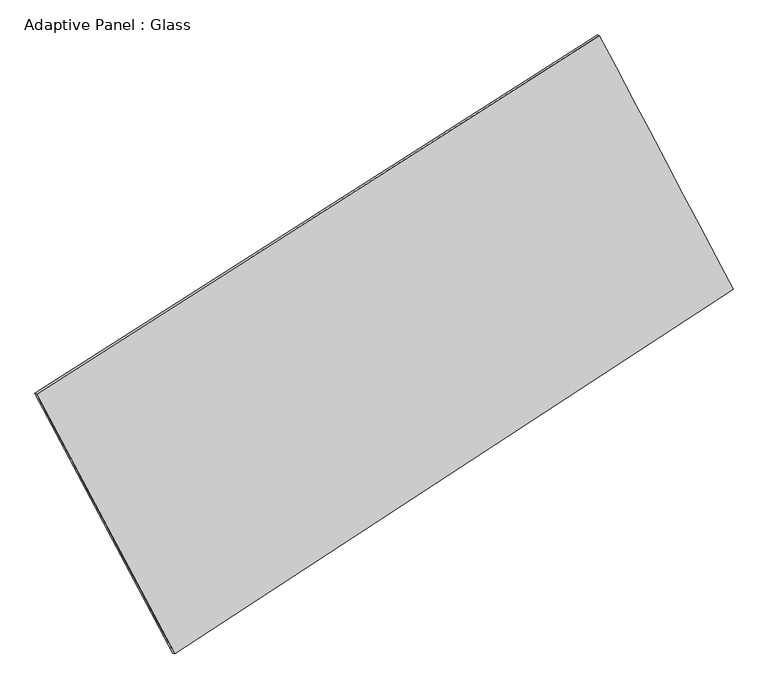
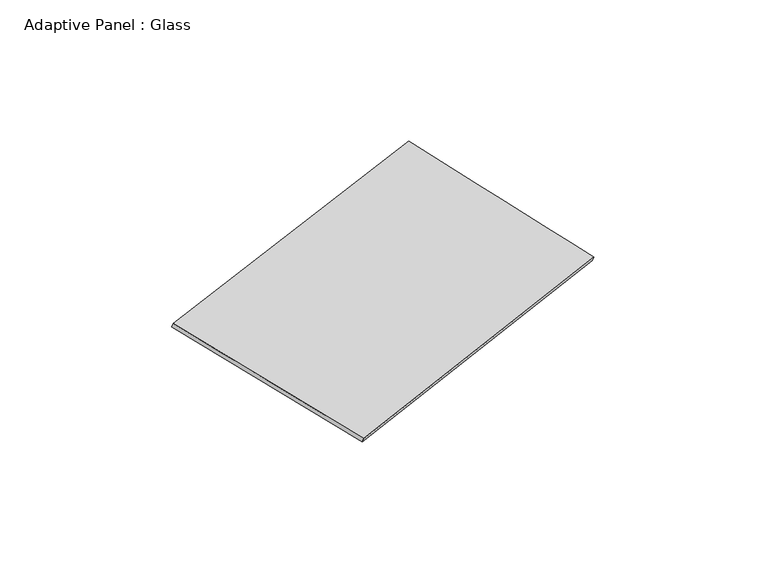
"""IFC4 building model written with IfcOpenShell, lengths in millimetres: plate geometry, Adaptive Panel : Glass."""

from ifc_helpers import new_model, si_unit, frame, origin, place, context, project, spatial, source, transform, mapped, element, save
from ifc_brep_helpers import plane_surface, spline_surface, advanced_brep


def adaptive_panel_glass_415b51a2(model_context):
    return source(origin(), model_context, "Body", "AdvancedBrep", [
        advanced_brep(
        [(1201.9372758, 2569.8474743, 670.2460691), (-3683.0492966, -542.0335996, 1737.7987642), (-3668.3829407, -548.4136931, 1785.1716723), (1216.6036317, 2563.4673808, 717.6189771), (-2484.9041947, -2797.4516992, 1088.5324827), (-2470.2378389, -2803.8317926, 1135.9053907), (2362.7256373, 369.3892517, -11.4547958), (2377.3919932, 363.0091582, 35.9181122)],
        [
            (0, 1),
            (1, 2),
            (2, 3),
            (3, 0),
            (1, 4),
            (4, 5),
            (5, 2),
            (4, 6),
            (6, 7),
            (7, 5),
            (6, 0),
            (3, 7),
        ],
        [
            plane_surface(frame((-1240.5560104, 1013.9069373, 1204.0224167), z_axis=(-0.4774879035378735, 0.8390320793417357, 0.2608265166935475), x_axis=(-0.8294356897032611, -0.528375091020401, 0.1812627921986708))),
            plane_surface(frame((-3083.9767457, -1669.7426494, 1413.1656234), z_axis=(-0.8424020105891378, -0.50308170988122, 0.1930482989781733), x_axis=(0.4546783476775291, -0.8558978150841414, -0.2463869523481809))),
            plane_surface(frame((-61.0892787, -1214.0312238, 538.5388434), z_axis=(0.48526450207594085, -0.8340152432702755, -0.26255844495619013), x_axis=(0.8224788517989446, 0.537305817338148, -0.18663064324508602))),
            plane_surface(frame((1782.3314566, 1469.618363, 329.3956367), z_axis=(0.8419738166017958, 0.5038904911512944, -0.1928068076710805), x_axis=(-0.4499936211935589, 0.8530341935880202, 0.264269569672227))),
            spline_surface(1, 1, [[(-3668.3829407, -548.4136931, 1785.1716723), (1216.6036317, 2563.4673808, 717.6189771)], [(-2470.2378389, -2803.8317926, 1135.9053907), (2377.3919932, 363.0091582, 35.9181122)]], [2, 2], [2, 2], [0.0, 1.0], [0.0, 1.0]),
            spline_surface(1, 1, [[(2362.7256373, 369.3892517, -11.4547958), (1201.9372758, 2569.8474743, 670.2460691)], [(-2484.9041947, -2797.4516992, 1088.5324827), (-3683.0492966, -542.0335996, 1737.7987642)]], [2, 2], [2, 2], [0.0, 1.0], [0.0, 1.0]),
        ],
        [
            (0, [[1, 2, 3, 4]]),
            (1, [[5, 6, 7, -2]]),
            (2, [[8, 9, 10, -6]]),
            (3, [[11, -4, 12, -9]]),
            (4, [[-3, -7, -10, -12]]),
            (5, [[-11, -8, -5, -1]]),
        ],
    ),
    ])


if __name__ == "__main__":
    model = new_model("IFC4")
    model_context = context("Model", 3, world=origin())
    ifc_project = project(units=[si_unit("LENGTHUNIT", "METRE", prefix="MILLI")], contexts=[model_context])
    site = spatial("IfcSite", under=ifc_project)
    building = spatial("IfcBuilding", under=site)
    placement = place(None, origin())
    adaptive_panel_glass_shape = adaptive_panel_glass_415b51a2(model_context)
    element("IfcPlate", 1, ObjectType="Adaptive Panel : Glass", at=placement, inside=building, context=model_context, shape_type="MappedRepresentation", body=[
        mapped(adaptive_panel_glass_shape, transform((0.0, 0.0, 0.0), x_axis=(1.0, 0.0, 0.0), y_axis=(0.0, 1.0, 0.0), z_axis=(0.0, 0.0, 1.0))),
    ])
    save(model, "model.ifc")
